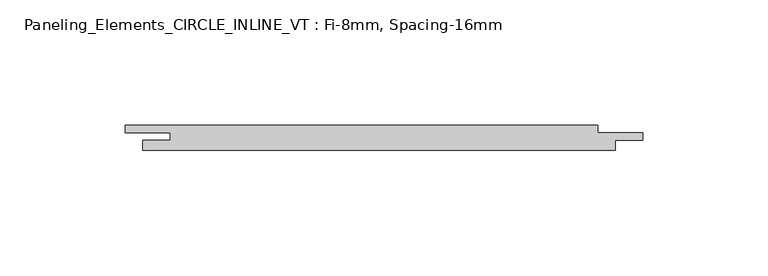
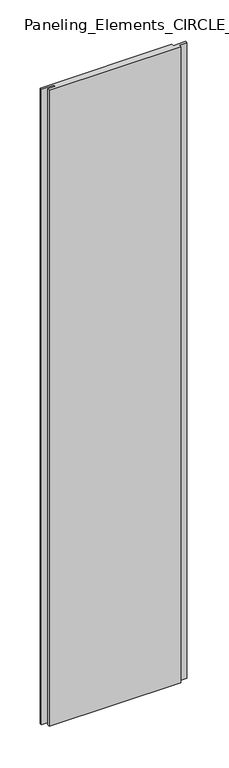
"""IFC4 building model written with IfcOpenShell, lengths in millimetres: plate geometry, Paneling_Elements_CIRCLE_INLINE_VT : Fi-8mm, Spacing-16mm."""

import ifcopenshell
import ifcopenshell.guid

model = None  # the IFC model being written
_history = None  # IfcOwnerHistory: only IFC2X3 demands one
_inside = {}  # id of a spatial element -> (the spatial element, [elements in it])
_under = {}  # id of a project, library or spatial element -> (it, [spatial elements below it])
_declared = {}  # id of a project -> (the project, [libraries it declares])
_typed = {}  # id of a type object -> (the type object, [elements of that type])
_made_of = {}  # id of a material, layer set ... -> (it, [elements and type objects made of it])


def new_model(schema):
    """Start an empty IFC model of exactly this schema.

    Asked for "IFC4X3", IfcOpenShell would pick the latest addendum, in which some entities
    have other attributes; the version numbers below select the first issue.
    IFC2X3 requires an IfcOwnerHistory on every rooted entity: one is made here for all.
    """
    global model, _history
    if schema == "IFC4X3":
        model = ifcopenshell.file(schema_version=(4, 3, 0, 0))
    else:
        model = ifcopenshell.file(schema=schema)
    _inside.clear()
    _under.clear()
    _declared.clear()
    _typed.clear()
    _made_of.clear()
    _history = None
    if model.schema == "IFC2X3":
        org = make("IfcOrganization", Name="unknown")
        user = make(
            "IfcPersonAndOrganization",
            ThePerson=make("IfcPerson", FamilyName="unknown"),
            TheOrganization=org,
        )
        app = make(
            "IfcApplication",
            ApplicationDeveloper=org,
            Version="unknown",
            ApplicationFullName="unknown",
            ApplicationIdentifier="unknown",
        )
        _history = make(
            "IfcOwnerHistory",
            OwningUser=user,
            OwningApplication=app,
            ChangeAction="ADDED",
            CreationDate=0,
        )
    return model


def make(cls, **values):
    """One entity of the class cls with the attributes given. An attribute that is None is left unset."""
    return model.create_entity(
        cls, **{name: value for name, value in values.items() if value is not None}
    )


def rooted(cls, **values):
    """An entity with a GlobalId (a new one), such as an element, a storey or a relation."""
    return make(cls, GlobalId=ifcopenshell.guid.new(), OwnerHistory=_history, **values)


def si_unit(unit_type, name, prefix=None):
    """IfcSIUnit, for example si_unit("LENGTHUNIT", "METRE", prefix="MILLI")."""
    return make("IfcSIUnit", UnitType=unit_type, Prefix=prefix, Name=name)


def assignment(units):
    """IfcUnitAssignment: the units of a project."""
    return None if units is None else make("IfcUnitAssignment", Units=units)


def point(xyz):
    """IfcCartesianPoint."""
    return None if xyz is None else make("IfcCartesianPoint", Coordinates=xyz)


def direction(xyz):
    """IfcDirection."""
    return None if xyz is None else make("IfcDirection", DirectionRatios=xyz)


def frame(location, z_axis=None, x_axis=None):
    """IfcAxis2Placement3D, a coordinate frame: its origin and axes. An axis left out is left unset."""
    return make(
        "IfcAxis2Placement3D",
        Location=point(location),
        Axis=direction(z_axis),
        RefDirection=direction(x_axis),
    )


def origin():
    """The frame at (0, 0, 0) with its axes left unset."""
    return frame((0.0, 0.0, 0.0))


def origin_with_axes():
    """The frame at (0, 0, 0) with the z axis (0, 0, 1) and the x axis (1, 0, 0) written out."""
    return frame((0.0, 0.0, 0.0), z_axis=(0.0, 0.0, 1.0), x_axis=(1.0, 0.0, 0.0))


def place(relative_to, where):
    """IfcLocalPlacement: puts the frame where relative to a parent placement (None: the world)."""
    return make(
        "IfcLocalPlacement", PlacementRelTo=relative_to, RelativePlacement=where
    )


def context(
    kind, dimensions, precision=None, world=None, true_north=None, identifier=None
):
    """IfcGeometricRepresentationContext, for example the 3D "Model" context."""
    return make(
        "IfcGeometricRepresentationContext",
        ContextIdentifier=identifier,
        ContextType=kind,
        CoordinateSpaceDimension=dimensions,
        Precision=precision,
        WorldCoordinateSystem=world,
        TrueNorth=true_north,
    )


def project(units=None, contexts=None):
    """IfcProject with its units and contexts."""
    return rooted(
        "IfcProject",
        Name="project",
        RepresentationContexts=contexts,
        UnitsInContext=assignment(units),
    )


def spatial(cls, under=None, at=None, **own):
    """A site, building, storey or space (cls), placed at a placement, below another one or the project."""
    s = rooted(cls, ObjectPlacement=at, **own)
    if under is not None:
        _under.setdefault(under.id(), (under, []))[1].append(s)
    return s


def polyline(points):
    """IfcPolyline through the points."""
    return make("IfcPolyline", Points=[point(p) for p in points])


def outline(outer, holes=None, kind="AREA"):
    """IfcArbitraryClosedProfileDef: a profile drawn as a closed curve; with holes, ...WithVoids."""
    if holes is None:
        return make("IfcArbitraryClosedProfileDef", ProfileType=kind, OuterCurve=outer)
    return make(
        "IfcArbitraryProfileDefWithVoids",
        ProfileType=kind,
        OuterCurve=outer,
        InnerCurves=holes,
    )


def extrude(swept, where, along, depth):
    """IfcExtrudedAreaSolid: the profile swept, set in the frame where, extruded along a direction by depth."""
    return make(
        "IfcExtrudedAreaSolid",
        SweptArea=swept,
        Position=where,
        ExtrudedDirection=direction(along),
        Depth=depth,
    )


def shape(context_of_items, identifier, shape_type, items):
    """IfcShapeRepresentation: the items that make up one representation, for example the "Body"."""
    return make(
        "IfcShapeRepresentation",
        ContextOfItems=context_of_items,
        RepresentationIdentifier=identifier,
        RepresentationType=shape_type,
        Items=items,
    )


def source(mapping_origin, context_of_items, identifier, shape_type, items):
    """IfcRepresentationMap: a shape defined once, which mapped items show again and again."""
    return make(
        "IfcRepresentationMap",
        MappingOrigin=mapping_origin,
        MappedRepresentation=shape(context_of_items, identifier, shape_type, items),
    )


def transform(
    local_origin,
    x_axis=None,
    y_axis=None,
    z_axis=None,
    scale=None,
    scale2=None,
    scale3=None,
    uniform=True,
):
    """IfcCartesianTransformationOperator3D, or its non-uniform kind. x_axis, y_axis, z_axis: its Axis1, 2, 3."""
    if uniform:
        return make(
            "IfcCartesianTransformationOperator3D",
            Axis1=direction(x_axis),
            Axis2=direction(y_axis),
            LocalOrigin=point(local_origin),
            Scale=scale,
            Axis3=direction(z_axis),
        )
    return make(
        "IfcCartesianTransformationOperator3DnonUniform",
        Axis1=direction(x_axis),
        Axis2=direction(y_axis),
        LocalOrigin=point(local_origin),
        Scale=scale,
        Axis3=direction(z_axis),
        Scale2=scale2,
        Scale3=scale3,
    )


def mapped(mapping_source, mapping_target):
    """IfcMappedItem: shows the shape of a source again, moved by a transform."""
    return make(
        "IfcMappedItem", MappingSource=mapping_source, MappingTarget=mapping_target
    )


def made_of(thing, what):
    """Note that an element or type object is made of a material, layer set ...; save() writes the relation."""
    if what is not None:
        _made_of.setdefault(what.id(), (what, []))[1].append(thing)
    return thing


def element(
    cls,
    number,
    at=None,
    inside=None,
    cuts=None,
    type_object=None,
    material=None,
    context=None,
    identifier="Body",
    shape_type=None,
    held_by="IfcProductDefinitionShape",
    body=None,
    shapes=None,
    **own,
):
    """One element of the class cls, such as IfcWall. Its Tag is "e" and its number.

    at: its placement. inside: the storey or other place that contains it. cuts: it is an
    opening in that element (IfcRelVoidsElement). A single representation is given by context,
    identifier, shape_type and body (its items); several are given by shapes. held_by: the class
    of the entity that holds the representations. save() writes the other relations.
    """
    e = rooted(cls, Tag="e%d" % number, ObjectPlacement=at, **own)
    if body is not None:
        shapes = [shape(context, identifier, shape_type, body)]
    if shapes is not None:
        e.Representation = make(held_by, Representations=shapes)
    if inside is not None:
        _inside.setdefault(inside.id(), (inside, []))[1].append(e)
    if cuts is not None:
        rooted(
            "IfcRelVoidsElement", RelatingBuildingElement=cuts, RelatedOpeningElement=e
        )
    if type_object is not None:
        _typed.setdefault(type_object.id(), (type_object, []))[1].append(e)
    return made_of(e, material)


def aggregate(whole, parts):
    """IfcRelAggregates: a whole, such as a stair, and the parts it consists of."""
    return rooted("IfcRelAggregates", RelatingObject=whole, RelatedObjects=parts)


def save(model, path):
    """Write the relations noted so far, then the file.

    IfcRelAggregates (storeys below a building ...), IfcRelContainedInSpatialStructure (elements
    in a storey), IfcRelDefinesByType, IfcRelAssociatesMaterial and IfcRelDeclares: one each for
    every whole, place, type object, material and project.
    """
    for whole, parts in _under.values():
        aggregate(whole, parts)
    for where, things in _inside.values():
        rooted(
            "IfcRelContainedInSpatialStructure",
            RelatedElements=things,
            RelatingStructure=where,
        )
    for kind, things in _typed.values():
        rooted("IfcRelDefinesByType", RelatedObjects=things, RelatingType=kind)
    for what, things in _made_of.values():
        rooted("IfcRelAssociatesMaterial", RelatedObjects=things, RelatingMaterial=what)
    for by, libraries in _declared.values():
        rooted("IfcRelDeclares", RelatingContext=by, RelatedDefinitions=libraries)
    model.write(path)


def paneling_elements_circle_inline_vt_fi_8mm_spacing_16mm_44b93651(model_context):
    return source(origin(), model_context, "Body", "SweptSolid", [
        extrude(outline(polyline([(87.5, 5.0), (87.5, 2.0), (105.5, 2.0), (105.5, -1.0), (94.5, -1.0), (94.5, -5.0), (-94.5, -5.0), (-94.5, -1.0), (-83.5, -1.0), (-83.5, 2.0), (-101.5, 2.0), (-101.5, 5.0), (87.5, 5.0)])), origin_with_axes(), (0.0, 0.0, 1.0), 964.5),
    ])


if __name__ == "__main__":
    model = new_model("IFC4")
    model_context = context("Model", 3, world=origin())
    ifc_project = project(units=[si_unit("LENGTHUNIT", "METRE", prefix="MILLI")], contexts=[model_context])
    site = spatial("IfcSite", under=ifc_project)
    building = spatial("IfcBuilding", under=site)
    placement = place(None, origin())
    paneling_elements_circle_inline_vt_fi_8mm_spacing_16mm_shape = paneling_elements_circle_inline_vt_fi_8mm_spacing_16mm_44b93651(model_context)
    element("IfcPlate", 1, ObjectType="Paneling_Elements_CIRCLE_INLINE_VT : Fi-8mm, Spacing-16mm", at=placement, inside=building, context=model_context, shape_type="MappedRepresentation", body=[
        mapped(paneling_elements_circle_inline_vt_fi_8mm_spacing_16mm_shape, transform((0.0, 0.0, 0.0), x_axis=(1.0, 0.0, 0.0), y_axis=(0.0, 1.0, 0.0), z_axis=(0.0, 0.0, 1.0))),
    ])
    save(model, "model.ifc")
